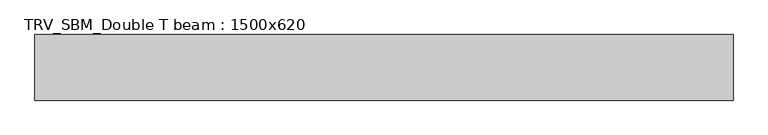
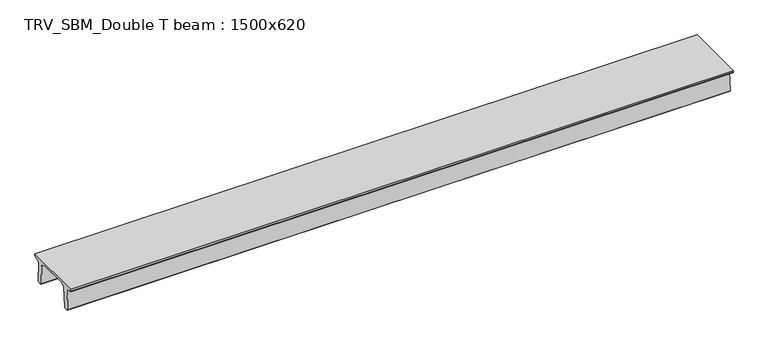
"""IFC4 building model written with IfcOpenShell, lengths in millimetres: beam geometry, TRV_SBM_Double T beam : 1500x620."""

from ifc_helpers import new_model, si_unit, frame, origin, place, context, project, spatial, polyline, outline, extrude, source, transform, mapped, element, save


def trv_sbm_double_t_beam_1500x620_ee5a5eaf(model_context):
    return source(origin(), model_context, "Body", "SweptSolid", [
        extrude(outline(polyline([(-765.0, 215.0), (-765.0, 260.0), (735.0, 260.0), (735.0, 215.0), (728.2094488, 201.315559), (578.0626443, 140.6523122), (594.8277662, -339.4379646), (574.2657308, -360.0), (484.2657308, -360.0), (464.786332, -340.5206011), (447.8600761, 144.18395), (338.3237744, 210.0), (-367.4555014, 210.0), (-476.5389732, 151.9992892), (-507.0080378, -339.3850967), (-527.622941, -360.0), (-615.122941, -360.0), (-637.1143055, -338.0086356), (-606.1572167, 162.687806), (-761.3068466, 204.260024), (-765.0, 215.0)])), frame((-7935.5, 0.0, 0.0), z_axis=(1.0, 0.0, 0.0), x_axis=(0.0, 1.0, 0.0)), (0.0, 0.0, 1.0), 15948.0),
    ])


if __name__ == "__main__":
    model = new_model("IFC4")
    model_context = context("Model", 3, world=origin())
    ifc_project = project(units=[si_unit("LENGTHUNIT", "METRE", prefix="MILLI")], contexts=[model_context])
    site = spatial("IfcSite", under=ifc_project)
    building = spatial("IfcBuilding", under=site)
    placement = place(None, origin())
    trv_sbm_double_t_beam_1500x620_shape = trv_sbm_double_t_beam_1500x620_ee5a5eaf(model_context)
    element("IfcBeam", 1, ObjectType="TRV_SBM_Double T beam : 1500x620", at=placement, inside=building, context=model_context, shape_type="MappedRepresentation", body=[
        mapped(trv_sbm_double_t_beam_1500x620_shape, transform((0.0, 0.0, 0.0), x_axis=(1.0, 0.0, 0.0), y_axis=(0.0, 1.0, 0.0), z_axis=(0.0, 0.0, 1.0))),
    ])
    save(model, "model.ifc")
